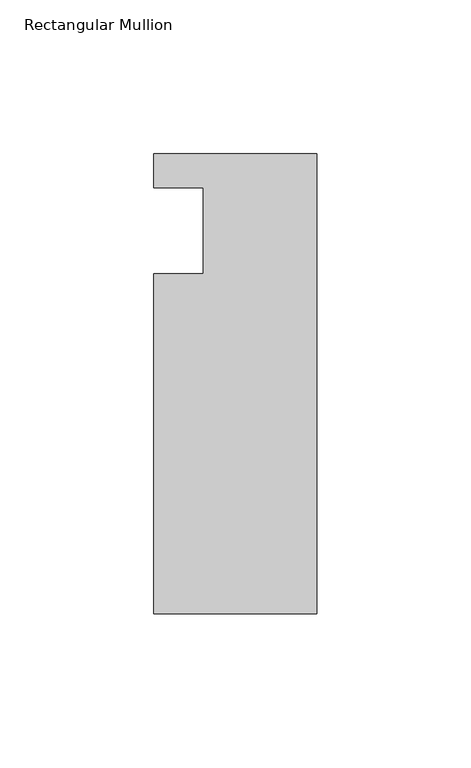
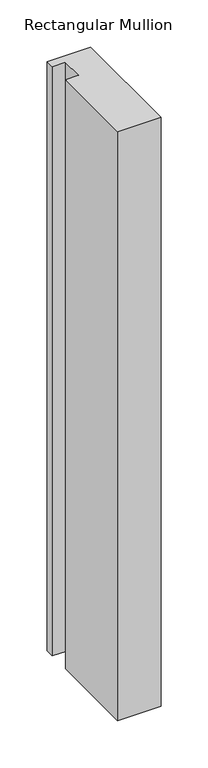
"""IFC4 building model written with IfcOpenShell, lengths in millimetres: member geometry, Rectangular Mullion."""

from ifc_helpers import new_model, si_unit, frame, origin, place, context, project, spatial, polyline, outline, extrude, source, transform, mapped, element, save


def rectangular_mullion_449377e5(model_context):
    return source(origin(), model_context, "Body", "SweptSolid", [
        extrude(outline(polyline([(-37.0, 13.9999453), (-53.0, 13.9999453), (-53.0, 24.9999453), (0.0, 24.9999453), (0.0, -124.5000547), (-53.0, -124.5000547), (-53.0, -14.0000547), (-37.0, -14.0000547), (-37.0, 13.9999453)])), frame((0.0, 0.0, -762.0000086), z_axis=(0.0, 0.0, 1.0), x_axis=(1.0, 0.0, 0.0)), (0.0, 0.0, 1.0), 762.0000086),
    ])


if __name__ == "__main__":
    model = new_model("IFC4")
    model_context = context("Model", 3, world=origin())
    ifc_project = project(units=[si_unit("LENGTHUNIT", "METRE", prefix="MILLI")], contexts=[model_context])
    site = spatial("IfcSite", under=ifc_project)
    building = spatial("IfcBuilding", under=site)
    placement = place(None, origin())
    rectangular_mullion_shape = rectangular_mullion_449377e5(model_context)
    element("IfcMember", 1, ObjectType="Rectangular Mullion", at=placement, inside=building, context=model_context, shape_type="MappedRepresentation", body=[
        mapped(rectangular_mullion_shape, transform((0.0, 0.0, 0.0), x_axis=(1.0, 0.0, 0.0), y_axis=(0.0, 1.0, 0.0), z_axis=(0.0, 0.0, 1.0))),
    ])
    save(model, "model.ifc")
